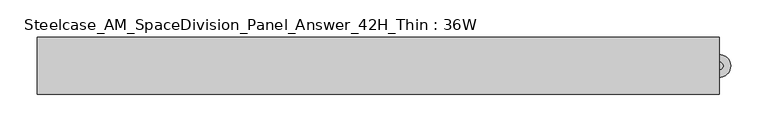
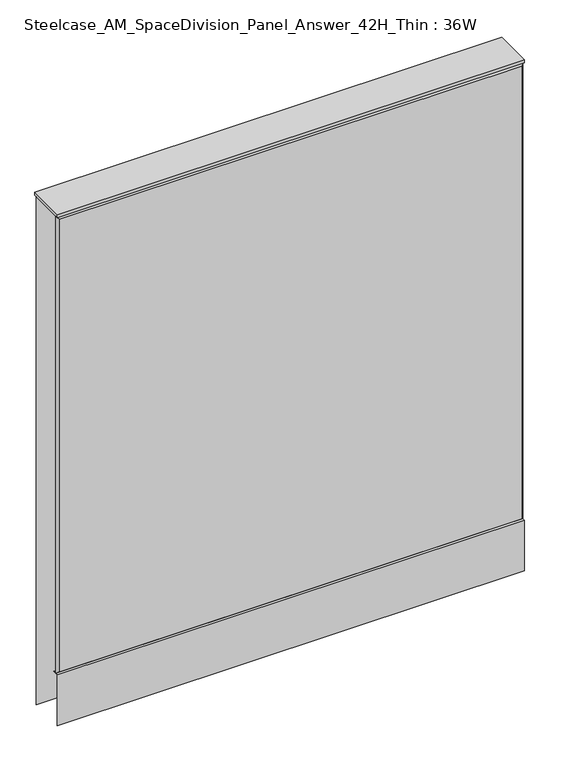
"""IFC4 building model written with IfcOpenShell, lengths in millimetres: furniture geometry, Steelcase_AM_SpaceDivision_Panel_Answer_42H_Thin : 36W."""

from ifc_helpers import new_model, si_unit, point, frame, frame_2d, origin, place, context, project, spatial, polyline, circle_curve, trimmed, segment, composite_curve, outline, extrude, faceted_brep, source, transform, mapped, element, save


def steelcase_am_spacedivision_panel_answer_42h_thin_36w_a955bc0a(model_context):
    return source(origin(), model_context, "Body", "SolidModel", [
        extrude(outline(polyline([(-37.3075215, 119.8575157), (-37.3075215, 15.494), (-38.1000194, 15.494), (-38.1000194, 120.65), (-25.4000011, 120.65), (-25.4000011, 119.8575157), (-37.3075215, 119.8575157)])), frame((-457.2, 0.0, 0.0), z_axis=(1.0, 0.0, 0.0), x_axis=(0.0, 1.0, 0.0)), (0.0, 0.0, 1.0), 914.4),
        extrude(outline(composite_curve([segment(trimmed(circle_curve(frame_2d((457.2, -1.94e-05)), 5.08), [point((462.28, -1.94e-05))], [point((452.12, -1.94e-05))], False, "CARTESIAN"), True, "CONTINUOUS"), segment(trimmed(circle_curve(frame_2d((457.2, -1.94e-05)), 5.08), [point((452.12, -1.94e-05))], [point((462.28, -1.94e-05))], False, "CARTESIAN"), True, "CONTINUOUS")], self_intersect=False)), frame((0.0, 0.0, 5.0799671), z_axis=(0.0, 0.0, 1.0), x_axis=(1.0, 0.0, 0.0)), (0.0, 0.0, 1.0), 10.414),
        extrude(outline(composite_curve([segment(trimmed(circle_curve(frame_2d((457.2, -1.94e-05)), 15.24), [point((472.44, -1.94e-05))], [point((441.96, -1.94e-05))], False, "CARTESIAN"), True, "CONTINUOUS"), segment(trimmed(circle_curve(frame_2d((457.2, -1.94e-05)), 15.24), [point((441.96, -1.94e-05))], [point((472.44, -1.94e-05))], False, "CARTESIAN"), True, "CONTINUOUS")], self_intersect=False)), frame((0.0, 0.0, -3.29e-05), z_axis=(0.0, 0.0, 1.0), x_axis=(1.0, 0.0, 0.0)), (0.0, 0.0, 1.0), 5.08),
        faceted_brep([(-452.374, 38.0960541, 1061.974), (452.374, 38.0960541, 1061.974), (452.374, 38.0960541, 20.32), (-452.374, 38.0960541, 20.32), (-457.2, 33.2700541, 1066.8), (-457.2, 33.2700541, 15.494), (457.2, 33.2700541, 15.494), (457.2, 33.2700541, 1066.8)], [[[0, 1, 2, 3]], [[4, 5, 6, 7]], [[4, 7, 1, 0]], [[7, 6, 2, 1]], [[6, 5, 3, 2]], [[5, 4, 0, 3]]]),
        faceted_brep([(452.374, -38.0960541, 1061.974), (-452.374, -38.0960541, 1061.974), (-452.374, -38.0960541, 125.476), (452.374, -38.0960541, 125.476), (457.2, -33.2700541, 1066.8), (457.2, -33.2700541, 120.65), (-457.2, -33.2700541, 120.65), (-457.2, -33.2700541, 1066.8)], [[[0, 1, 2, 3]], [[4, 5, 6, 7]], [[4, 7, 1, 0]], [[7, 6, 2, 1]], [[6, 5, 3, 2]], [[5, 4, 0, 3]]]),
        extrude(outline(polyline([(457.2, 38.1000194), (457.2, -38.1000194), (-457.2, -38.1000194), (-457.2, 38.1000194), (457.2, 38.1000194)])), frame((0.0, 0.0, 1066.8), z_axis=(0.0, 0.0, 1.0), x_axis=(1.0, 0.0, 0.0)), (0.0, 0.0, 1.0), 6.35),
    ])


if __name__ == "__main__":
    model = new_model("IFC4")
    model_context = context("Model", 3, world=origin())
    ifc_project = project(units=[si_unit("LENGTHUNIT", "METRE", prefix="MILLI")], contexts=[model_context])
    site = spatial("IfcSite", under=ifc_project)
    building = spatial("IfcBuilding", under=site)
    placement = place(None, origin())
    steelcase_am_spacedivision_panel_answer_42h_thin_36w_shape = steelcase_am_spacedivision_panel_answer_42h_thin_36w_a955bc0a(model_context)
    element("IfcFurniture", 1, ObjectType="Steelcase_AM_SpaceDivision_Panel_Answer_42H_Thin : 36W", at=placement, inside=building, context=model_context, shape_type="MappedRepresentation", body=[
        mapped(steelcase_am_spacedivision_panel_answer_42h_thin_36w_shape, transform((0.0, 0.0, 0.0), x_axis=(1.0, 0.0, 0.0), y_axis=(0.0, 1.0, 0.0), z_axis=(0.0, 0.0, 1.0))),
    ])
    save(model, "model.ifc")
